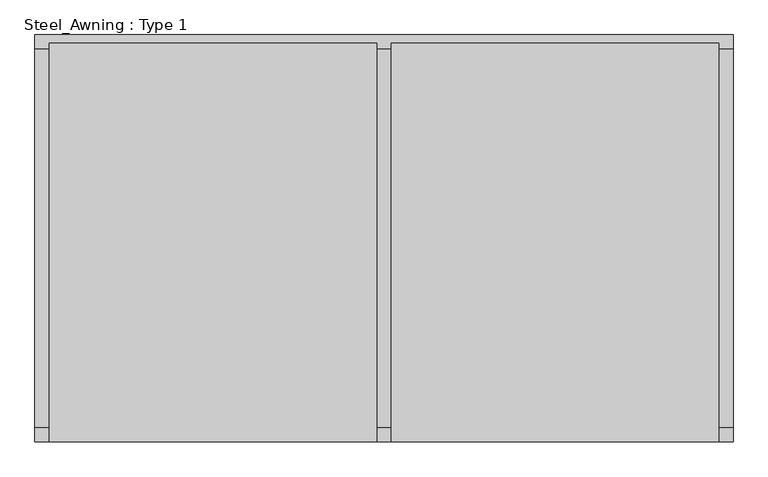
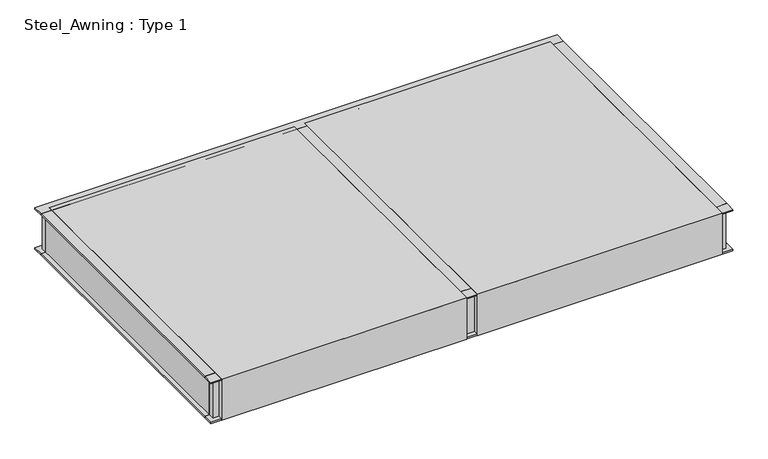
"""IFC4 building model written with IfcOpenShell, lengths in millimetres: proxy geometry, Steel_Awning : Type 1."""

from ifc_helpers import new_model, si_unit, frame, origin, place, context, project, spatial, polyline, outline, extrude, faceted_brep, source, transform, mapped, element, save


def steel_awning_type_1_b09a3045(model_context):
    return source(origin(), model_context, "Body", "SolidModel", [
        extrude(outline(polyline([(87.5, 75.0), (-1629.0, 75.0), (-1629.0, 2166.5), (87.5, 2166.5), (87.5, 75.0)])), frame((0.0, 0.0, -305.0), z_axis=(0.0, 0.0, 1.0), x_axis=(1.0, 0.0, 0.0)), (0.0, 0.0, 1.0), 305.0),
        extrude(outline(polyline([(1879.0, 75.0), (162.5, 75.0), (162.5, 2166.5), (1879.0, 2166.5), (1879.0, 75.0)])), frame((0.0, 0.0, -305.0), z_axis=(0.0, 0.0, 1.0), x_axis=(1.0, 0.0, 0.0)), (0.0, 0.0, 1.0), 305.0),
        extrude(outline(polyline([(0.0, 162.5), (0.0, 87.5), (-10.0, 87.5), (-10.0, 120.0), (-295.0, 120.0), (-295.0, 87.5), (-305.0, 87.5), (-305.0, 162.5), (-295.0, 162.5), (-295.0, 130.0), (-10.0, 130.0), (-10.0, 162.5), (0.0, 162.5)])), frame((0.0, 151.2, 0.0), z_axis=(0.0, 1.0, 0.0), x_axis=(0.0, 0.0, 1.0)), (0.0, 0.0, 1.0), 1983.6),
        extrude(outline(polyline([(0.0, -1628.8), (0.0, -1703.8), (-10.0, -1703.8), (-10.0, -1671.3), (-295.0, -1671.3), (-295.0, -1703.8), (-305.0, -1703.8), (-305.0, -1628.8), (-295.0, -1628.8), (-295.0, -1661.3), (-10.0, -1661.3), (-10.0, -1628.8), (0.0, -1628.8)])), frame((0.0, 151.2, 0.0), z_axis=(0.0, 1.0, 0.0), x_axis=(0.0, 0.0, 1.0)), (0.0, 0.0, 1.0), 1983.6),
        extrude(outline(polyline([(0.0, 1953.8), (0.0, 1878.8), (-10.0, 1878.8), (-10.0, 1911.3), (-295.0, 1911.3), (-295.0, 1878.8), (-305.0, 1878.8), (-305.0, 1953.8), (-295.0, 1953.8), (-295.0, 1921.3), (-10.0, 1921.3), (-10.0, 1953.8), (0.0, 1953.8)])), frame((0.0, 151.2, 0.0), z_axis=(0.0, 1.0, 0.0), x_axis=(0.0, 0.0, 1.0)), (0.0, 0.0, 1.0), 1983.6),
        faceted_brep([(-1703.8, 2134.8, 0.0), (-1703.8, 2134.8, -10.0), (-1671.3, 2134.8, -10.0), (-1671.3, 2134.8, -295.0), (-1703.8, 2134.8, -295.0), (-1703.8, 2134.8, -305.0), (1953.8, 2134.8, -305.0), (1953.8, 2134.8, -295.0), (1921.3, 2134.8, -295.0), (1921.3, 2134.8, -10.0), (1953.8, 2134.8, -10.0), (1953.8, 2134.8, 0.0), (1911.3, 2134.8, -10.0), (1911.3, 2134.8, -295.0), (-1661.3, 2134.8, -295.0), (-1661.3, 2134.8, -10.0), (1953.8, 2209.8, 0.0), (-1703.8, 2209.8, 0.0), (-1703.8, 2209.8, -10.0), (1953.8, 2209.8, -10.0), (1921.3, 2177.3, -10.0), (-1671.3, 2177.3, -10.0), (-1671.3, 2177.3, -295.0), (1921.3, 2177.3, -295.0), (1953.8, 2209.8, -295.0), (-1703.8, 2209.8, -295.0), (-1703.8, 2209.8, -305.0), (1953.8, 2209.8, -305.0), (1911.3, 2167.3, -295.0), (-1661.3, 2167.3, -295.0), (-1661.3, 2167.3, -10.0), (1911.3, 2167.3, -10.0)], [[[0, 1, 2, 3, 4, 5, 6, 7, 8, 9, 10, 11], [12, 13, 14, 15]], [[0, 11, 16, 17]], [[1, 0, 17, 18]], [[2, 1, 18, 19, 10, 9, 20, 21]], [[3, 2, 21, 22]], [[4, 3, 22, 23, 8, 7, 24, 25]], [[5, 4, 25, 26]], [[6, 5, 26, 27]], [[14, 13, 28, 29]], [[15, 14, 29, 30]], [[12, 15, 30, 31]], [[17, 16, 19, 18]], [[21, 20, 23, 22]], [[25, 24, 27, 26]], [[29, 28, 31, 30]], [[11, 10, 19, 16]], [[9, 8, 23, 20]], [[7, 6, 27, 24]], [[13, 12, 31, 28]]]),
        faceted_brep([(1953.8, 151.2, 0.0), (1953.8, 151.2, -10.0), (1921.3, 151.2, -10.0), (1921.3, 151.2, -295.0), (1953.8, 151.2, -295.0), (1953.8, 151.2, -305.0), (-1703.8, 151.2, -305.0), (-1703.8, 151.2, -295.0), (-1671.3, 151.2, -295.0), (-1671.3, 151.2, -10.0), (-1703.8, 151.2, -10.0), (-1703.8, 151.2, 0.0), (-1661.3, 151.2, -10.0), (-1661.3, 151.2, -295.0), (1911.3, 151.2, -295.0), (1911.3, 151.2, -10.0), (1911.3, 118.7, -10.0), (-1661.3, 118.7, -10.0), (-1661.3, 118.7, -295.0), (1911.3, 118.7, -295.0), (1953.8, 76.2, -305.0), (-1703.8, 76.2, -305.0), (-1703.8, 76.2, -295.0), (1921.3, 108.7, -295.0), (-1671.3, 108.7, -295.0), (1953.8, 76.2, -295.0), (-1671.3, 108.7, -10.0), (1953.8, 76.2, -10.0), (-1703.8, 76.2, -10.0), (1921.3, 108.7, -10.0), (-1703.8, 76.2, 0.0), (1953.8, 76.2, 0.0)], [[[0, 1, 2, 3, 4, 5, 6, 7, 8, 9, 10, 11], [12, 13, 14, 15]], [[12, 15, 16, 17]], [[13, 12, 17, 18]], [[14, 13, 18, 19]], [[6, 5, 20, 21]], [[7, 6, 21, 22]], [[4, 3, 23, 24, 8, 7, 22, 25]], [[9, 8, 24, 26]], [[2, 1, 27, 28, 10, 9, 26, 29]], [[11, 10, 28, 30]], [[0, 11, 30, 31]], [[17, 16, 19, 18]], [[21, 20, 25, 22]], [[24, 23, 29, 26]], [[28, 27, 31, 30]], [[15, 14, 19, 16]], [[5, 4, 25, 20]], [[3, 2, 29, 23]], [[1, 0, 31, 27]]]),
    ])


if __name__ == "__main__":
    model = new_model("IFC4")
    model_context = context("Model", 3, world=origin())
    ifc_project = project(units=[si_unit("LENGTHUNIT", "METRE", prefix="MILLI")], contexts=[model_context])
    site = spatial("IfcSite", under=ifc_project)
    building = spatial("IfcBuilding", under=site)
    placement = place(None, origin())
    steel_awning_type_1_shape = steel_awning_type_1_b09a3045(model_context)
    element("IfcBuildingElementProxy", 1, Name="Steel_Awning : Type 1", ObjectType="Steel_Awning : Type 1", at=placement, inside=building, context=model_context, shape_type="MappedRepresentation", body=[
        mapped(steel_awning_type_1_shape, transform((0.0, 0.0, 0.0), x_axis=(1.0, 0.0, 0.0), y_axis=(0.0, 1.0, 0.0), z_axis=(0.0, 0.0, 1.0))),
    ])
    save(model, "model.ifc")
